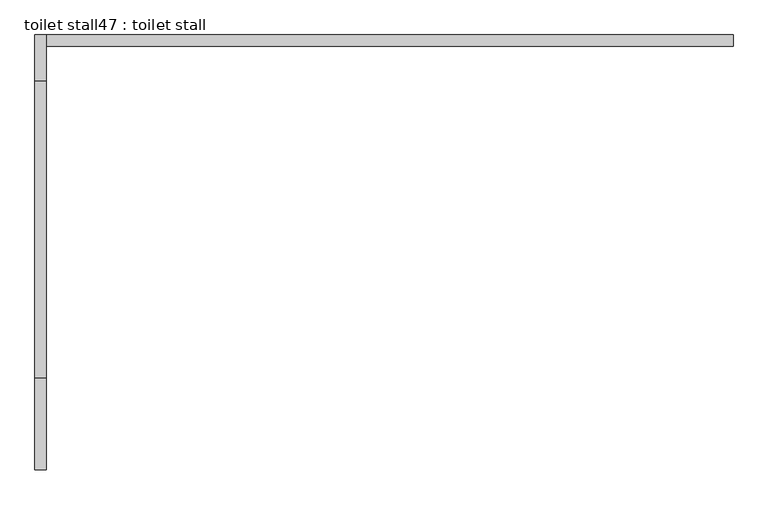
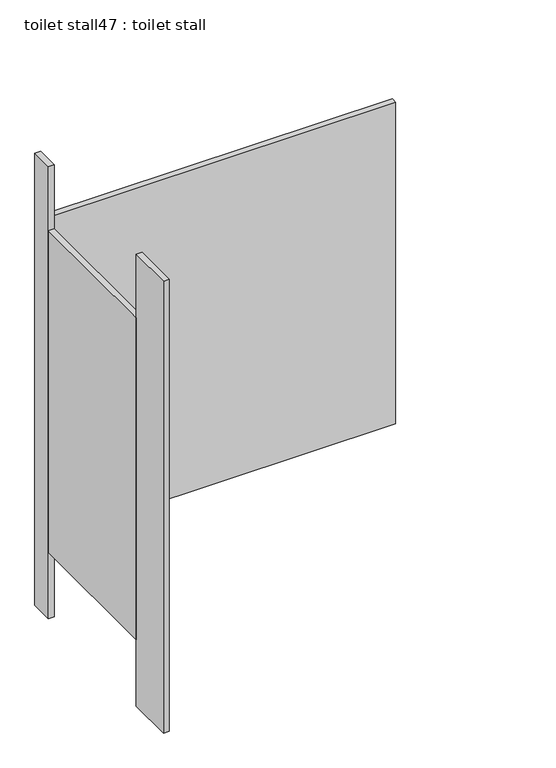
"""IFC4 building model written with IfcOpenShell, lengths in millimetres: proxy geometry, toilet stall47 : toilet stall."""

import ifcopenshell
import ifcopenshell.guid

model = None  # the IFC model being written
_history = None  # IfcOwnerHistory: only IFC2X3 demands one
_inside = {}  # id of a spatial element -> (the spatial element, [elements in it])
_under = {}  # id of a project, library or spatial element -> (it, [spatial elements below it])
_declared = {}  # id of a project -> (the project, [libraries it declares])
_typed = {}  # id of a type object -> (the type object, [elements of that type])
_made_of = {}  # id of a material, layer set ... -> (it, [elements and type objects made of it])


def new_model(schema):
    """Start an empty IFC model of exactly this schema.

    Asked for "IFC4X3", IfcOpenShell would pick the latest addendum, in which some entities
    have other attributes; the version numbers below select the first issue.
    IFC2X3 requires an IfcOwnerHistory on every rooted entity: one is made here for all.
    """
    global model, _history
    if schema == "IFC4X3":
        model = ifcopenshell.file(schema_version=(4, 3, 0, 0))
    else:
        model = ifcopenshell.file(schema=schema)
    _inside.clear()
    _under.clear()
    _declared.clear()
    _typed.clear()
    _made_of.clear()
    _history = None
    if model.schema == "IFC2X3":
        org = make("IfcOrganization", Name="unknown")
        user = make(
            "IfcPersonAndOrganization",
            ThePerson=make("IfcPerson", FamilyName="unknown"),
            TheOrganization=org,
        )
        app = make(
            "IfcApplication",
            ApplicationDeveloper=org,
            Version="unknown",
            ApplicationFullName="unknown",
            ApplicationIdentifier="unknown",
        )
        _history = make(
            "IfcOwnerHistory",
            OwningUser=user,
            OwningApplication=app,
            ChangeAction="ADDED",
            CreationDate=0,
        )
    return model


def make(cls, **values):
    """One entity of the class cls with the attributes given. An attribute that is None is left unset."""
    return model.create_entity(
        cls, **{name: value for name, value in values.items() if value is not None}
    )


def rooted(cls, **values):
    """An entity with a GlobalId (a new one), such as an element, a storey or a relation."""
    return make(cls, GlobalId=ifcopenshell.guid.new(), OwnerHistory=_history, **values)


def si_unit(unit_type, name, prefix=None):
    """IfcSIUnit, for example si_unit("LENGTHUNIT", "METRE", prefix="MILLI")."""
    return make("IfcSIUnit", UnitType=unit_type, Prefix=prefix, Name=name)


def assignment(units):
    """IfcUnitAssignment: the units of a project."""
    return None if units is None else make("IfcUnitAssignment", Units=units)


def point(xyz):
    """IfcCartesianPoint."""
    return None if xyz is None else make("IfcCartesianPoint", Coordinates=xyz)


def direction(xyz):
    """IfcDirection."""
    return None if xyz is None else make("IfcDirection", DirectionRatios=xyz)


def frame(location, z_axis=None, x_axis=None):
    """IfcAxis2Placement3D, a coordinate frame: its origin and axes. An axis left out is left unset."""
    return make(
        "IfcAxis2Placement3D",
        Location=point(location),
        Axis=direction(z_axis),
        RefDirection=direction(x_axis),
    )


def origin():
    """The frame at (0, 0, 0) with its axes left unset."""
    return frame((0.0, 0.0, 0.0))


def origin_with_axes():
    """The frame at (0, 0, 0) with the z axis (0, 0, 1) and the x axis (1, 0, 0) written out."""
    return frame((0.0, 0.0, 0.0), z_axis=(0.0, 0.0, 1.0), x_axis=(1.0, 0.0, 0.0))


def place(relative_to, where):
    """IfcLocalPlacement: puts the frame where relative to a parent placement (None: the world)."""
    return make(
        "IfcLocalPlacement", PlacementRelTo=relative_to, RelativePlacement=where
    )


def context(
    kind, dimensions, precision=None, world=None, true_north=None, identifier=None
):
    """IfcGeometricRepresentationContext, for example the 3D "Model" context."""
    return make(
        "IfcGeometricRepresentationContext",
        ContextIdentifier=identifier,
        ContextType=kind,
        CoordinateSpaceDimension=dimensions,
        Precision=precision,
        WorldCoordinateSystem=world,
        TrueNorth=true_north,
    )


def project(units=None, contexts=None):
    """IfcProject with its units and contexts."""
    return rooted(
        "IfcProject",
        Name="project",
        RepresentationContexts=contexts,
        UnitsInContext=assignment(units),
    )


def spatial(cls, under=None, at=None, **own):
    """A site, building, storey or space (cls), placed at a placement, below another one or the project."""
    s = rooted(cls, ObjectPlacement=at, **own)
    if under is not None:
        _under.setdefault(under.id(), (under, []))[1].append(s)
    return s


def polyline(points):
    """IfcPolyline through the points."""
    return make("IfcPolyline", Points=[point(p) for p in points])


def outline(outer, holes=None, kind="AREA"):
    """IfcArbitraryClosedProfileDef: a profile drawn as a closed curve; with holes, ...WithVoids."""
    if holes is None:
        return make("IfcArbitraryClosedProfileDef", ProfileType=kind, OuterCurve=outer)
    return make(
        "IfcArbitraryProfileDefWithVoids",
        ProfileType=kind,
        OuterCurve=outer,
        InnerCurves=holes,
    )


def extrude(swept, where, along, depth):
    """IfcExtrudedAreaSolid: the profile swept, set in the frame where, extruded along a direction by depth."""
    return make(
        "IfcExtrudedAreaSolid",
        SweptArea=swept,
        Position=where,
        ExtrudedDirection=direction(along),
        Depth=depth,
    )


def shape(context_of_items, identifier, shape_type, items):
    """IfcShapeRepresentation: the items that make up one representation, for example the "Body"."""
    return make(
        "IfcShapeRepresentation",
        ContextOfItems=context_of_items,
        RepresentationIdentifier=identifier,
        RepresentationType=shape_type,
        Items=items,
    )


def source(mapping_origin, context_of_items, identifier, shape_type, items):
    """IfcRepresentationMap: a shape defined once, which mapped items show again and again."""
    return make(
        "IfcRepresentationMap",
        MappingOrigin=mapping_origin,
        MappedRepresentation=shape(context_of_items, identifier, shape_type, items),
    )


def transform(
    local_origin,
    x_axis=None,
    y_axis=None,
    z_axis=None,
    scale=None,
    scale2=None,
    scale3=None,
    uniform=True,
):
    """IfcCartesianTransformationOperator3D, or its non-uniform kind. x_axis, y_axis, z_axis: its Axis1, 2, 3."""
    if uniform:
        return make(
            "IfcCartesianTransformationOperator3D",
            Axis1=direction(x_axis),
            Axis2=direction(y_axis),
            LocalOrigin=point(local_origin),
            Scale=scale,
            Axis3=direction(z_axis),
        )
    return make(
        "IfcCartesianTransformationOperator3DnonUniform",
        Axis1=direction(x_axis),
        Axis2=direction(y_axis),
        LocalOrigin=point(local_origin),
        Scale=scale,
        Axis3=direction(z_axis),
        Scale2=scale2,
        Scale3=scale3,
    )


def mapped(mapping_source, mapping_target):
    """IfcMappedItem: shows the shape of a source again, moved by a transform."""
    return make(
        "IfcMappedItem", MappingSource=mapping_source, MappingTarget=mapping_target
    )


def made_of(thing, what):
    """Note that an element or type object is made of a material, layer set ...; save() writes the relation."""
    if what is not None:
        _made_of.setdefault(what.id(), (what, []))[1].append(thing)
    return thing


def element(
    cls,
    number,
    at=None,
    inside=None,
    cuts=None,
    type_object=None,
    material=None,
    context=None,
    identifier="Body",
    shape_type=None,
    held_by="IfcProductDefinitionShape",
    body=None,
    shapes=None,
    **own,
):
    """One element of the class cls, such as IfcWall. Its Tag is "e" and its number.

    at: its placement. inside: the storey or other place that contains it. cuts: it is an
    opening in that element (IfcRelVoidsElement). A single representation is given by context,
    identifier, shape_type and body (its items); several are given by shapes. held_by: the class
    of the entity that holds the representations. save() writes the other relations.
    """
    e = rooted(cls, Tag="e%d" % number, ObjectPlacement=at, **own)
    if body is not None:
        shapes = [shape(context, identifier, shape_type, body)]
    if shapes is not None:
        e.Representation = make(held_by, Representations=shapes)
    if inside is not None:
        _inside.setdefault(inside.id(), (inside, []))[1].append(e)
    if cuts is not None:
        rooted(
            "IfcRelVoidsElement", RelatingBuildingElement=cuts, RelatedOpeningElement=e
        )
    if type_object is not None:
        _typed.setdefault(type_object.id(), (type_object, []))[1].append(e)
    return made_of(e, material)


def aggregate(whole, parts):
    """IfcRelAggregates: a whole, such as a stair, and the parts it consists of."""
    return rooted("IfcRelAggregates", RelatingObject=whole, RelatedObjects=parts)


def save(model, path):
    """Write the relations noted so far, then the file.

    IfcRelAggregates (storeys below a building ...), IfcRelContainedInSpatialStructure (elements
    in a storey), IfcRelDefinesByType, IfcRelAssociatesMaterial and IfcRelDeclares: one each for
    every whole, place, type object, material and project.
    """
    for whole, parts in _under.values():
        aggregate(whole, parts)
    for where, things in _inside.values():
        rooted(
            "IfcRelContainedInSpatialStructure",
            RelatedElements=things,
            RelatingStructure=where,
        )
    for kind, things in _typed.values():
        rooted("IfcRelDefinesByType", RelatedObjects=things, RelatingType=kind)
    for what, things in _made_of.values():
        rooted("IfcRelAssociatesMaterial", RelatedObjects=things, RelatingMaterial=what)
    for by, libraries in _declared.values():
        rooted("IfcRelDeclares", RelatingContext=by, RelatedDefinitions=libraries)
    model.write(path)


def toilet_stall47_toilet_stall_3258b65b(model_context):
    return source(origin(), model_context, "Body", "SweptSolid", [
        extrude(outline(polyline([(457604.6004676, -270916.2233948), (457604.6004676, -271119.4233948), (457579.2004676, -271119.4233948), (457579.2004676, -270916.2233948), (457604.6004676, -270916.2233948)])), origin_with_axes(), (0.0, 0.0, 1.0), 2070.1),
        extrude(outline(polyline([(457604.6004676, -270154.2233948), (457604.6004676, -270255.8233948), (457579.2004676, -270255.8233948), (457579.2004676, -270154.2233948), (457604.6004676, -270154.2233948)])), origin_with_axes(), (0.0, 0.0, 1.0), 2070.1),
        extrude(outline(polyline([(457604.6004676, -270154.2233948), (459128.6004676, -270154.2233948), (459128.6004676, -270179.6233948), (457604.6004676, -270179.6233948), (457604.6004676, -270154.2233948)])), frame((0.0, 0.0, 304.8), z_axis=(0.0, 0.0, 1.0), x_axis=(1.0, 0.0, 0.0)), (0.0, 0.0, 1.0), 1473.2),
        extrude(outline(polyline([(457604.6004676, -270255.8233948), (457604.6004676, -270916.2233948), (457579.2004676, -270916.2233948), (457579.2004676, -270255.8233948), (457604.6004676, -270255.8233948)])), frame((0.0, 0.0, 304.8), z_axis=(0.0, 0.0, 1.0), x_axis=(1.0, 0.0, 0.0)), (0.0, 0.0, 1.0), 1473.2),
    ])


if __name__ == "__main__":
    model = new_model("IFC4")
    model_context = context("Model", 3, world=origin())
    ifc_project = project(units=[si_unit("LENGTHUNIT", "METRE", prefix="MILLI")], contexts=[model_context])
    site = spatial("IfcSite", under=ifc_project)
    building = spatial("IfcBuilding", under=site)
    placement = place(None, origin())
    toilet_stall47_toilet_stall_shape = toilet_stall47_toilet_stall_3258b65b(model_context)
    element("IfcBuildingElementProxy", 1, Name="toilet stall47 : toilet stall", ObjectType="toilet stall47 : toilet stall", at=placement, inside=building, context=model_context, shape_type="MappedRepresentation", body=[
        mapped(toilet_stall47_toilet_stall_shape, transform((0.0, 0.0, 0.0), x_axis=(1.0, 0.0, 0.0), y_axis=(0.0, 1.0, 0.0), z_axis=(0.0, 0.0, 1.0))),
    ])
    save(model, "model.ifc")
